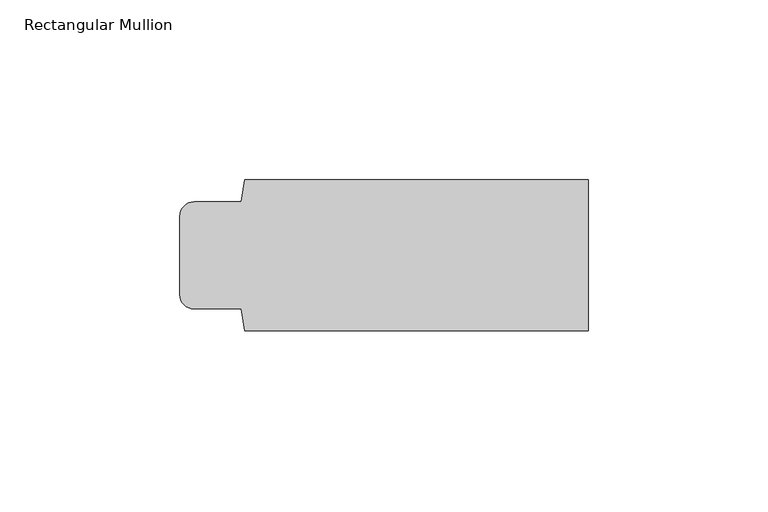
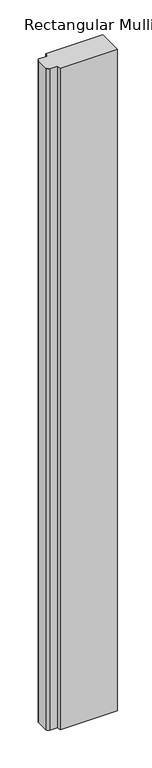
"""IFC4 building model written with IfcOpenShell, lengths in millimetres: member geometry, Rectangular Mullion."""

from ifc_helpers import new_model, si_unit, point, frame, frame_2d, origin, place, context, project, spatial, polyline, circle_curve, trimmed, segment, composite_curve, outline, extrude, source, transform, mapped, element, save


def rectangular_mullion_3f218681(model_context):
    return source(origin(), model_context, "Body", "SweptSolid", [
        extrude(outline(composite_curve([segment(polyline([(0.0, 21.0), (0.0, -21.0), (-95.5, -21.0), (-96.5, -14.9), (-109.5, -14.9)]), True, "CONTINUOUS"), segment(trimmed(circle_curve(frame_2d((-109.5, -10.9)), 4.0), [point((-109.5, -14.9))], [point((-113.5, -10.9))], False, "CARTESIAN"), True, "CONTINUOUS"), segment(polyline([(-113.5, -10.9), (-113.5, 10.9)]), True, "CONTINUOUS"), segment(trimmed(circle_curve(frame_2d((-109.5, 10.9)), 4.0), [point((-113.5, 10.9))], [point((-109.5, 14.9))], False, "CARTESIAN"), True, "CONTINUOUS"), segment(polyline([(-109.5, 14.9), (-96.5, 14.9), (-95.5, 21.0), (0.0, 21.0)]), True, "CONTINUOUS")], self_intersect=False)), frame((0.0, 0.0, -1173.0000003), z_axis=(0.0, 0.0, 1.0), x_axis=(1.0, 0.0, 0.0)), (0.0, 0.0, 1.0), 1173.0000003),
    ])


if __name__ == "__main__":
    model = new_model("IFC4")
    model_context = context("Model", 3, world=origin())
    ifc_project = project(units=[si_unit("LENGTHUNIT", "METRE", prefix="MILLI")], contexts=[model_context])
    site = spatial("IfcSite", under=ifc_project)
    building = spatial("IfcBuilding", under=site)
    placement = place(None, origin())
    rectangular_mullion_shape = rectangular_mullion_3f218681(model_context)
    element("IfcMember", 1, ObjectType="Rectangular Mullion", at=placement, inside=building, context=model_context, shape_type="MappedRepresentation", body=[
        mapped(rectangular_mullion_shape, transform((0.0, 0.0, 0.0), x_axis=(1.0, 0.0, 0.0), y_axis=(0.0, 1.0, 0.0), z_axis=(0.0, 0.0, 1.0))),
    ])
    save(model, "model.ifc")
